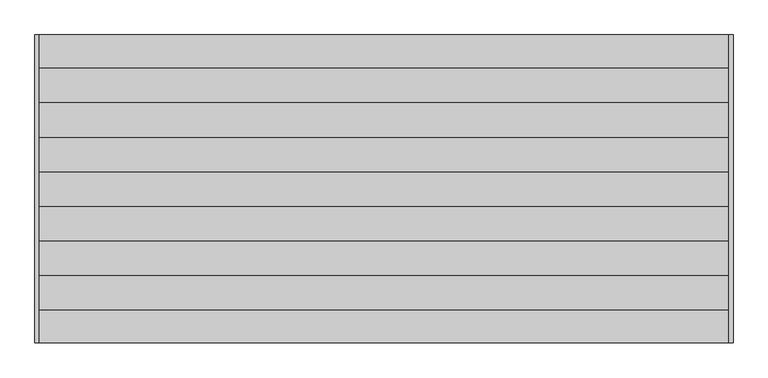
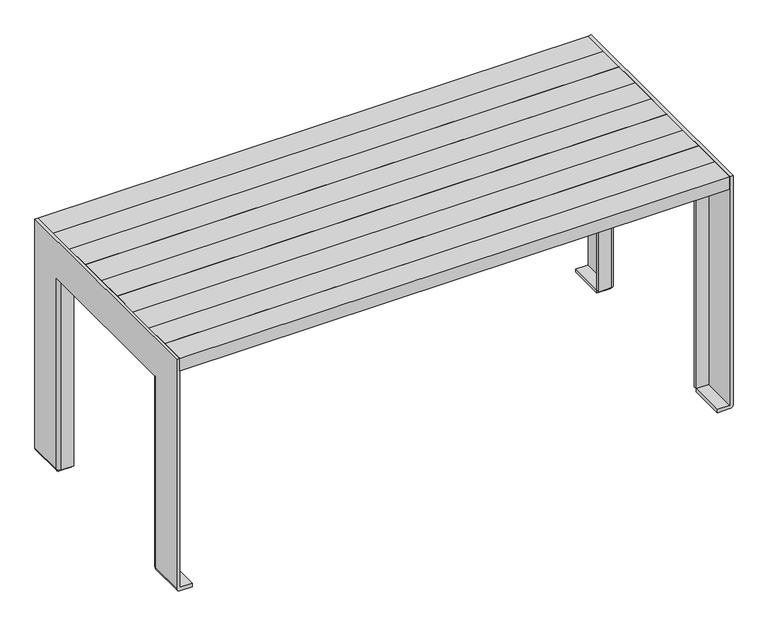
"""IFC4 building model written with IfcOpenShell, lengths in millimetres: furniture geometry."""

from ifc_helpers import new_model, si_unit, frame, origin, place, context, project, spatial, polyline, circle_curve, outline, extrude, source, transform, mapped, element, save
from ifc_brep_helpers import plane_surface, cylinder_surface, revolved_surface, advanced_brep


def furniture_267aa003(model_context):
    return source(origin(), model_context, "Body", "SolidModel", [
        extrude(outline(polyline([(-828.5, 234.4958372), (828.5, 234.4958372), (828.5, 229.4958372), (-828.5, 229.4958372), (-828.5, 234.4958372)])), frame((0.0, 0.0, 644.0), z_axis=(0.0, 0.0, 1.0), x_axis=(1.0, 0.0, 0.0)), (0.0, 0.0, 1.0), 56.0),
        advanced_brep(
        [(-713.4814838, -222.5, 700.0), (-832.5, -222.5, 700.0), (-832.5, -227.5, 700.0), (-713.4529132, -227.5, 700.0), (-707.5, -221.5470868, 700.0), (-707.5, 221.5490759, 700.0), (-713.4509241, 227.5, 700.0), (-832.5, 227.5, 700.0), (-832.5, 222.5, 700.0), (-713.5404164, 222.5, 700.0), (-712.5, 221.4595836, 700.0), (-712.5, -221.5185162, 700.0), (-713.4814838, -222.5, 644.0), (-712.5, -221.5185162, 644.0), (-712.5, 221.4595836, 644.0), (-713.5404164, 222.5, 644.0), (-832.5, 222.5, 644.0), (-832.5, 227.5, 644.0), (-713.4509241, 227.5, 644.0), (-707.5, 221.5490759, 644.0), (-707.5, -221.5470868, 644.0), (-713.4529132, -227.5, 644.0), (-832.5, -227.5, 644.0), (-832.5, -222.5, 644.0), (-712.5, -148.0, 674.5), (-712.5, -157.0, 674.5), (-712.5, -157.0, 663.5), (-712.5, -148.0, 663.5), (-712.5, 157.0, 674.5), (-712.5, 148.0, 674.5), (-712.5, 148.0, 663.5), (-712.5, 157.0, 663.5), (-707.5, -157.0, 674.5), (-707.5, -148.0, 674.5), (-707.5, -148.0, 663.5), (-707.5, -157.0, 663.5), (-707.5, 148.0, 674.5), (-707.5, 157.0, 674.5), (-707.5, 157.0, 663.5), (-707.5, 148.0, 663.5)],
        [
            (0, 1),
            (1, 2),
            (2, 3),
            (3, 4, circle_curve(frame((-713.4529132, -221.5470868, 700.0), z_axis=(0.0, 0.0, 1.0), x_axis=(-1.0, 0.0, 0.0)), 5.9529132)),
            (4, 5),
            (5, 6, circle_curve(frame((-713.4509241, 221.5490759, 700.0), z_axis=(0.0, 0.0, 1.0), x_axis=(-1.0, 0.0, 0.0)), 5.9509241)),
            (6, 7),
            (7, 8),
            (8, 9),
            (9, 10, circle_curve(frame((-713.5404164, 221.4595836, 700.0), z_axis=(0.0, 0.0, -1.0), x_axis=(-1.0, 0.0, 0.0)), 1.0404164)),
            (10, 11),
            (11, 0, circle_curve(frame((-713.4814838, -221.5185162, 700.0), z_axis=(0.0, 0.0, -1.0), x_axis=(-1.0, 0.0, 0.0)), 0.9814838)),
            (12, 13, circle_curve(frame((-713.4814838, -221.5185162, 644.0), z_axis=(0.0, 0.0, 1.0), x_axis=(-1.0, 0.0, 0.0)), 0.9814838)),
            (13, 14),
            (14, 15, circle_curve(frame((-713.5404164, 221.4595836, 644.0), z_axis=(0.0, 0.0, 1.0), x_axis=(-1.0, 0.0, 0.0)), 1.0404164)),
            (15, 16),
            (16, 17),
            (17, 18),
            (18, 19, circle_curve(frame((-713.4509241, 221.5490759, 644.0), z_axis=(0.0, 0.0, -1.0), x_axis=(-1.0, 0.0, 0.0)), 5.9509241)),
            (19, 20),
            (20, 21, circle_curve(frame((-713.4529132, -221.5470868, 644.0), z_axis=(0.0, 0.0, -1.0), x_axis=(-1.0, 0.0, 0.0)), 5.9529132)),
            (21, 22),
            (22, 23),
            (23, 12),
            (11, 13),
            (12, 0),
            (10, 14),
            (24, 25),
            (25, 26, circle_curve(frame((-712.5, -157.0, 669.0), z_axis=(1.0, 0.0, 0.0), x_axis=(0.0, 0.0, -1.0)), 5.5)),
            (26, 27),
            (27, 24, circle_curve(frame((-712.5, -148.0, 669.0), z_axis=(1.0, 0.0, 0.0), x_axis=(0.0, 0.0, 1.0)), 5.5)),
            (28, 29),
            (29, 30, circle_curve(frame((-712.5, 148.0, 669.0), z_axis=(1.0, 0.0, 0.0), x_axis=(0.0, 0.0, 1.0)), 5.5)),
            (30, 31),
            (31, 28, circle_curve(frame((-712.5, 157.0, 669.0), z_axis=(1.0, 0.0, 0.0), x_axis=(0.0, 0.0, -1.0)), 5.5)),
            (9, 15),
            (8, 16),
            (7, 17),
            (6, 18),
            (5, 19),
            (4, 20),
            (32, 33),
            (33, 34, circle_curve(frame((-707.5, -148.0, 669.0), z_axis=(-1.0, 0.0, 0.0), x_axis=(0.0, 0.0, 1.0)), 5.5)),
            (34, 35),
            (35, 32, circle_curve(frame((-707.5, -157.0, 669.0), z_axis=(-1.0, 0.0, 0.0), x_axis=(0.0, 0.0, -1.0)), 5.5)),
            (36, 37),
            (37, 38, circle_curve(frame((-707.5, 157.0, 669.0), z_axis=(-1.0, 0.0, 0.0), x_axis=(0.0, 0.0, -1.0)), 5.5)),
            (38, 39),
            (39, 36, circle_curve(frame((-707.5, 148.0, 669.0), z_axis=(-1.0, 0.0, 0.0), x_axis=(0.0, 0.0, 1.0)), 5.5)),
            (3, 21),
            (2, 22),
            (1, 23),
            (24, 33),
            (32, 25),
            (35, 26),
            (34, 27),
            (28, 37),
            (36, 29),
            (39, 30),
            (38, 31),
        ],
        [
            plane_surface(frame((-832.5, -222.5, 700.0), z_axis=(0.0, 0.0, 1.0), x_axis=(-1.0, 0.0, 0.0))),
            plane_surface(frame((-832.5, -222.5, 644.0), z_axis=(0.0, 0.0, -1.0), x_axis=(1.0, 0.0, 0.0))),
            revolved_surface(polyline([(-714.4629676, -221.5185162, 644.0), (-714.4629676, -221.5185162, 700.0)]), (-713.4814838, -221.5185162, 644.0), (0.0, 0.0, -1.0)),
            plane_surface(frame((-712.5, 221.4595836, 700.0), z_axis=(-1.0, 0.0, 0.0), x_axis=(0.0, 0.0, -1.0))),
            revolved_surface(polyline([(-714.5808328, 221.4595836, 644.0), (-714.5808328, 221.4595836, 700.0)]), (-713.5404164, 221.4595836, 644.0), (0.0, 0.0, -1.0)),
            plane_surface(frame((-832.5, 222.5, 700.0), z_axis=(0.0, -1.0, 0.0), x_axis=(0.0, 0.0, -1.0))),
            plane_surface(frame((-832.5, 227.5, 700.0), z_axis=(-1.0, 0.0, 0.0), x_axis=(0.0, 0.0, -1.0))),
            plane_surface(frame((-713.4509241, 227.5, 700.0), z_axis=(0.0, 1.0, 0.0), x_axis=(0.0, 0.0, -1.0))),
            cylinder_surface(frame((-713.4509241, 221.5490759, 644.0), z_axis=(0.0, 0.0, 1.0), x_axis=(-1.0, 0.0, 0.0)), 5.9509241),
            plane_surface(frame((-707.5, -221.5470868, 700.0), z_axis=(1.0, 0.0, 0.0), x_axis=(0.0, 0.0, -1.0))),
            cylinder_surface(frame((-713.4529132, -221.5470868, 644.0), z_axis=(0.0, 0.0, 1.0), x_axis=(-1.0, 0.0, 0.0)), 5.9529132),
            plane_surface(frame((-832.5, -227.5, 700.0), z_axis=(0.0, -1.0, 0.0), x_axis=(0.0, 0.0, -1.0))),
            plane_surface(frame((-832.5, -222.5, 700.0), z_axis=(-1.0, 0.0, 0.0), x_axis=(0.0, 0.0, -1.0))),
            plane_surface(frame((-713.4814838, -222.5, 700.0), z_axis=(0.0, 1.0, 0.0), x_axis=(0.0, 0.0, -1.0))),
            plane_surface(frame((-712.5, -157.0, 674.5), z_axis=(0.0, 0.0, -1.0), x_axis=(1.0, 0.0, 0.0))),
            revolved_surface(polyline([(-712.5, -157.0, 663.5), (-707.5, -157.0, 663.5)]), (-707.5, -157.0, 669.0), (-1.0, 0.0, 0.0)),
            plane_surface(frame((-712.5, -148.0, 663.5), z_axis=(0.0, 0.0, 1.0), x_axis=(1.0, 0.0, 0.0))),
            revolved_surface(polyline([(-712.5, -148.0, 674.5), (-707.5, -148.0, 674.5)]), (-707.5, -148.0, 669.0), (-1.0, 0.0, 0.0)),
            plane_surface(frame((-712.5, 148.0, 674.5), z_axis=(0.0, 0.0, -1.0), x_axis=(1.0, 0.0, 0.0))),
            revolved_surface(polyline([(-712.5, 148.0, 674.5), (-707.5, 148.0, 674.5)]), (0.0, 148.0, 669.0), (-1.0, 0.0, 0.0)),
            plane_surface(frame((-712.5, 157.0, 663.5), z_axis=(0.0, 0.0, 1.0), x_axis=(1.0, 0.0, 0.0))),
            revolved_surface(polyline([(-712.5, 157.0, 663.5), (-707.5, 157.0, 663.5)]), (0.0, 157.0, 669.0), (-1.0, 0.0, 0.0)),
        ],
        [
            (0, [[1, 2, 3, 4, 5, 6, 7, 8, 9, 10, 11, 12]]),
            (1, [[13, 14, 15, 16, 17, 18, 19, 20, 21, 22, 23, 24]]),
            (2, [[-12, 25, -13, 26]]),
            (3, [[-11, 27, -14, -25], [28, 29, 30, 31], [32, 33, 34, 35]]),
            (4, [[-10, 36, -15, -27]]),
            (5, [[-9, 37, -16, -36]]),
            (6, [[-8, 38, -17, -37]]),
            (7, [[-7, 39, -18, -38]]),
            (8, [[-6, 40, -19, -39]]),
            (9, [[-5, 41, -20, -40], [42, 43, 44, 45], [46, 47, 48, 49]]),
            (10, [[-4, 50, -21, -41]]),
            (11, [[-3, 51, -22, -50]]),
            (12, [[-2, 52, -23, -51]]),
            (13, [[-1, -26, -24, -52]]),
            (14, [[53, -42, 54, -28]]),
            (15, [[-54, -45, 55, -29]]),
            (16, [[-55, -44, 56, -30]]),
            (17, [[-53, -31, -56, -43]]),
            (18, [[57, -46, 58, -32]]),
            (19, [[-58, -49, 59, -33]]),
            (20, [[-59, -48, 60, -34]]),
            (21, [[-57, -35, -60, -47]]),
        ],
    ),
        advanced_brep(
        [(713.4814838, -222.5, 700.0), (712.5, -221.5185162, 700.0), (712.5, 221.4595836, 700.0), (713.5404164, 222.5, 700.0), (832.5, 222.5, 700.0), (832.5, 227.5, 700.0), (713.4509241, 227.5, 700.0), (707.5, 221.5490759, 700.0), (707.5, -221.5470868, 700.0), (713.4529132, -227.5, 700.0), (832.5, -227.5, 700.0), (832.5, -222.5, 700.0), (713.4814838, -222.5, 644.0), (832.5, -222.5, 644.0), (832.5, -227.5, 644.0), (713.4529132, -227.5, 644.0), (707.5, -221.5470868, 644.0), (707.5, 221.5490759, 644.0), (713.4509241, 227.5, 644.0), (832.5, 227.5, 644.0), (832.5, 222.5, 644.0), (713.5404164, 222.5, 644.0), (712.5, 221.4595836, 644.0), (712.5, -221.5185162, 644.0), (712.5, -157.0, 674.5), (712.5, -148.0, 674.5), (712.5, -148.0, 663.5), (712.5, -157.0, 663.5), (712.5, 148.0, 674.5), (712.5, 157.0, 674.5), (712.5, 157.0, 663.5), (712.5, 148.0, 663.5), (707.5, -148.0, 674.5), (707.5, -157.0, 674.5), (707.5, -157.0, 663.5), (707.5, -148.0, 663.5), (707.5, 157.0, 674.5), (707.5, 148.0, 674.5), (707.5, 148.0, 663.5), (707.5, 157.0, 663.5)],
        [
            (0, 1, circle_curve(frame((713.4814838, -221.5185162, 700.0), z_axis=(0.0, 0.0, -1.0), x_axis=(1.0, 0.0, 0.0)), 0.9814838)),
            (1, 2),
            (2, 3, circle_curve(frame((713.5404164, 221.4595836, 700.0), z_axis=(0.0, 0.0, -1.0), x_axis=(1.0, 0.0, 0.0)), 1.0404164)),
            (3, 4),
            (4, 5),
            (5, 6),
            (6, 7, circle_curve(frame((713.4509241, 221.5490759, 700.0), z_axis=(0.0, 0.0, 1.0), x_axis=(1.0, 0.0, 0.0)), 5.9509241)),
            (7, 8),
            (8, 9, circle_curve(frame((713.4529132, -221.5470868, 700.0), z_axis=(0.0, 0.0, 1.0), x_axis=(1.0, 0.0, 0.0)), 5.9529132)),
            (9, 10),
            (10, 11),
            (11, 0),
            (12, 13),
            (13, 14),
            (14, 15),
            (15, 16, circle_curve(frame((713.4529132, -221.5470868, 644.0), z_axis=(0.0, 0.0, -1.0), x_axis=(1.0, 0.0, 0.0)), 5.9529132)),
            (16, 17),
            (17, 18, circle_curve(frame((713.4509241, 221.5490759, 644.0), z_axis=(0.0, 0.0, -1.0), x_axis=(1.0, 0.0, 0.0)), 5.9509241)),
            (18, 19),
            (19, 20),
            (20, 21),
            (21, 22, circle_curve(frame((713.5404164, 221.4595836, 644.0), z_axis=(0.0, 0.0, 1.0), x_axis=(1.0, 0.0, 0.0)), 1.0404164)),
            (22, 23),
            (23, 12, circle_curve(frame((713.4814838, -221.5185162, 644.0), z_axis=(0.0, 0.0, 1.0), x_axis=(1.0, 0.0, 0.0)), 0.9814838)),
            (0, 12),
            (23, 1),
            (22, 2),
            (24, 25),
            (25, 26, circle_curve(frame((712.5, -148.0, 669.0), z_axis=(-1.0, 0.0, 0.0), x_axis=(0.0, 0.0, 1.0)), 5.5)),
            (26, 27),
            (27, 24, circle_curve(frame((712.5, -157.0, 669.0), z_axis=(-1.0, 0.0, 0.0), x_axis=(0.0, 0.0, -1.0)), 5.5)),
            (28, 29),
            (29, 30, circle_curve(frame((712.5, 157.0, 669.0), z_axis=(-1.0, 0.0, 0.0), x_axis=(0.0, 0.0, -1.0)), 5.5)),
            (30, 31),
            (31, 28, circle_curve(frame((712.5, 148.0, 669.0), z_axis=(-1.0, 0.0, 0.0), x_axis=(0.0, 0.0, 1.0)), 5.5)),
            (21, 3),
            (20, 4),
            (19, 5),
            (18, 6),
            (17, 7),
            (16, 8),
            (32, 33),
            (33, 34, circle_curve(frame((707.5, -157.0, 669.0), z_axis=(1.0, 0.0, 0.0), x_axis=(0.0, 0.0, -1.0)), 5.5)),
            (34, 35),
            (35, 32, circle_curve(frame((707.5, -148.0, 669.0), z_axis=(1.0, 0.0, 0.0), x_axis=(0.0, 0.0, 1.0)), 5.5)),
            (36, 37),
            (37, 38, circle_curve(frame((707.5, 148.0, 669.0), z_axis=(1.0, 0.0, 0.0), x_axis=(0.0, 0.0, 1.0)), 5.5)),
            (38, 39),
            (39, 36, circle_curve(frame((707.5, 157.0, 669.0), z_axis=(1.0, 0.0, 0.0), x_axis=(0.0, 0.0, -1.0)), 5.5)),
            (15, 9),
            (14, 10),
            (13, 11),
            (24, 33),
            (32, 25),
            (27, 34),
            (26, 35),
            (28, 37),
            (36, 29),
            (31, 38),
            (30, 39),
        ],
        [
            plane_surface(frame((714.4629675, -221.5185162, 700.0), z_axis=(0.0, 0.0, 1.0), x_axis=(0.0, -1.0, 0.0))),
            plane_surface(frame((714.4629675, -221.5185162, 644.0), z_axis=(0.0, 0.0, -1.0), x_axis=(0.0, 1.0, 0.0))),
            revolved_surface(polyline([(714.4629676, -221.5185162, 644.0), (714.4629676, -221.5185162, 700.0)]), (713.4814838, -221.5185162, 644.0), (0.0, 0.0, -1.0)),
            plane_surface(frame((712.5, -221.5185162, 700.0), z_axis=(1.0, 0.0, 0.0), x_axis=(0.0, 0.0, -1.0))),
            revolved_surface(polyline([(714.5808328, 221.4595836, 644.0), (714.5808328, 221.4595836, 700.0)]), (713.5404164, 221.4595836, 644.0), (0.0, 0.0, -1.0)),
            plane_surface(frame((713.5404164, 222.5, 700.0), z_axis=(0.0, -1.0, 0.0), x_axis=(0.0, 0.0, -1.0))),
            plane_surface(frame((832.5, 222.5, 700.0), z_axis=(1.0, 0.0, 0.0), x_axis=(0.0, 0.0, -1.0))),
            plane_surface(frame((832.5, 227.5, 700.0), z_axis=(0.0, 1.0, 0.0), x_axis=(0.0, 0.0, -1.0))),
            cylinder_surface(frame((713.4509241, 221.5490759, 644.0), z_axis=(0.0, 0.0, 1.0), x_axis=(1.0, 0.0, 0.0)), 5.9509241),
            plane_surface(frame((707.5, 221.5490759, 700.0), z_axis=(-1.0, 0.0, 0.0), x_axis=(0.0, 0.0, -1.0))),
            cylinder_surface(frame((713.4529132, -221.5470868, 644.0), z_axis=(0.0, 0.0, 1.0), x_axis=(1.0, 0.0, 0.0)), 5.9529132),
            plane_surface(frame((713.4529132, -227.5, 700.0), z_axis=(0.0, -1.0, 0.0), x_axis=(0.0, 0.0, -1.0))),
            plane_surface(frame((832.5, -227.5, 700.0), z_axis=(1.0, 0.0, 0.0), x_axis=(0.0, 0.0, -1.0))),
            plane_surface(frame((832.5, -222.5, 700.0), z_axis=(0.0, 1.0, 0.0), x_axis=(0.0, 0.0, -1.0))),
            plane_surface(frame((712.5, -148.0, 674.5), z_axis=(0.0, 0.0, -1.0), x_axis=(-1.0, 0.0, 0.0))),
            revolved_surface(polyline([(712.5, -157.0, 663.5), (707.5, -157.0, 663.5)]), (707.5, -157.0, 669.0), (1.0, 0.0, 0.0)),
            plane_surface(frame((712.5, -157.0, 663.5), z_axis=(0.0, 0.0, 1.0), x_axis=(-1.0, 0.0, 0.0))),
            revolved_surface(polyline([(712.5, -148.0, 674.5), (707.5, -148.0, 674.5)]), (707.5, -148.0, 669.0), (1.0, 0.0, 0.0)),
            plane_surface(frame((712.5, 157.0, 674.5), z_axis=(0.0, 0.0, -1.0), x_axis=(-1.0, 0.0, 0.0))),
            revolved_surface(polyline([(712.5, 148.0, 674.5), (707.5, 148.0, 674.5)]), (0.0, 148.0, 669.0), (1.0, 0.0, 0.0)),
            plane_surface(frame((712.5, 148.0, 663.5), z_axis=(0.0, 0.0, 1.0), x_axis=(-1.0, 0.0, 0.0))),
            revolved_surface(polyline([(712.5, 157.0, 663.5), (707.5, 157.0, 663.5)]), (0.0, 157.0, 669.0), (1.0, 0.0, 0.0)),
        ],
        [
            (0, [[1, 2, 3, 4, 5, 6, 7, 8, 9, 10, 11, 12]]),
            (1, [[13, 14, 15, 16, 17, 18, 19, 20, 21, 22, 23, 24]]),
            (2, [[-1, 25, -24, 26]]),
            (3, [[-2, -26, -23, 27], [28, 29, 30, 31], [32, 33, 34, 35]]),
            (4, [[-3, -27, -22, 36]]),
            (5, [[-4, -36, -21, 37]]),
            (6, [[-5, -37, -20, 38]]),
            (7, [[-6, -38, -19, 39]]),
            (8, [[-7, -39, -18, 40]]),
            (9, [[-8, -40, -17, 41], [42, 43, 44, 45], [46, 47, 48, 49]]),
            (10, [[-9, -41, -16, 50]]),
            (11, [[-10, -50, -15, 51]]),
            (12, [[-11, -51, -14, 52]]),
            (13, [[-12, -52, -13, -25]]),
            (14, [[53, -42, 54, -28]]),
            (15, [[-53, -31, 55, -43]]),
            (16, [[-55, -30, 56, -44]]),
            (17, [[-54, -45, -56, -29]]),
            (18, [[57, -46, 58, -32]]),
            (19, [[-57, -35, 59, -47]]),
            (20, [[-59, -34, 60, -48]]),
            (21, [[-58, -49, -60, -33]]),
        ],
    ),
        extrude(outline(polyline([(828.5, -234.4958372), (-828.5, -234.4958372), (-828.5, -229.4958372), (828.5, -229.4958372), (828.5, -234.4958372)])), frame((0.0, 0.0, 644.0), z_axis=(0.0, 0.0, 1.0), x_axis=(1.0, 0.0, 0.0)), (0.0, 0.0, 1.0), 56.0),
        advanced_brep(
        [(791.5, -249.5, 620.0), (791.5, -259.5, 620.0), (828.5, -259.5, 620.0), (828.5, -249.5, 620.0), (791.5, -249.5, 10.1), (828.5, -249.5, 10.1), (838.5, -259.5, 10.1), (828.5, -259.5, 10.1), (791.5, -259.5, 10.1), (828.5, -259.5, 10.1), (838.5, -259.5, 620.0), (828.5, -369.5, 10.1), (828.5, -369.5, 740.0), (828.5, 369.5, 740.0), (828.5, 369.5, 10.1), (828.5, 259.5, 10.1), (828.5, 259.5, 620.0), (828.5, 249.5, 620.0), (838.5, 369.5, 10.1), (838.5, 369.5, 740.0), (838.5, -369.5, 740.0), (838.5, -369.5, 10.1), (838.5, 259.5, 620.0), (838.5, 259.5, 10.1), (828.5005, 369.5, 0.0), (791.5, 369.5, 0.0), (791.5, 369.5, 10.1), (791.5, -369.5, 10.1), (791.5, -369.5, 0.0), (828.5005, -369.5, 0.0), (791.5, 249.5, 10.1), (791.5, 259.5, 10.1), (828.5, 259.5, 10.1), (828.5, 249.5, 10.1), (791.5, 249.5, 620.0), (791.5, 259.5, 620.0), (791.5, -259.5, 0.0), (828.5005, -259.5, 0.0), (791.5, 259.5, 0.0), (828.5005, 259.5, 0.0)],
        [
            (0, 1),
            (1, 2),
            (2, 3),
            (3, 0),
            (4, 5),
            (5, 6, circle_curve(frame((828.5, -259.5, 10.1), z_axis=(0.0, 0.0, -1.0), x_axis=(-1.0, 0.0, 0.0)), 10.0)),
            (6, 7),
            (7, 8),
            (8, 4),
            (0, 4),
            (8, 1),
            (8, 9),
            (9, 2),
            (3, 5),
            (3, 10, circle_curve(frame((828.5, -259.5, 620.0), z_axis=(0.0, 0.0, -1.0), x_axis=(-1.0, 0.0, 0.0)), 10.0)),
            (10, 6),
            (11, 12),
            (12, 13),
            (13, 14),
            (14, 15),
            (15, 16),
            (16, 17),
            (17, 3),
            (9, 11),
            (18, 19),
            (19, 20),
            (20, 21),
            (21, 6),
            (10, 22),
            (22, 23),
            (23, 18),
            (13, 19),
            (18, 24, circle_curve(frame((828.5005, 369.5, 10.0), z_axis=(0.0, 1.0, 0.0), x_axis=(-1.0, 0.0, 0.0)), 10.0)),
            (24, 25),
            (25, 26),
            (26, 14),
            (12, 20),
            (11, 27),
            (27, 28),
            (28, 29),
            (29, 21, circle_curve(frame((828.5005, -369.5, 10.0), z_axis=(0.0, -1.0, 0.0), x_axis=(-1.0, 0.0, 0.0)), 10.0)),
            (17, 22, circle_curve(frame((828.5, 259.5, 620.0), z_axis=(0.0, 0.0, 1.0), x_axis=(-1.0, 0.0, 0.0)), 10.0)),
            (30, 31),
            (31, 32),
            (32, 23),
            (23, 33, circle_curve(frame((828.5, 259.5, 10.1), z_axis=(0.0, 0.0, -1.0), x_axis=(-1.0, 0.0, 0.0)), 10.0)),
            (33, 30),
            (34, 17),
            (16, 35),
            (35, 34),
            (35, 31),
            (30, 34),
            (15, 31),
            (33, 17),
            (36, 8),
            (6, 37, circle_curve(frame((828.5005, -259.5, 10.0), z_axis=(0.0, 1.0, 0.0), x_axis=(-1.0, 0.0, 0.0)), 10.0)),
            (37, 36),
            (27, 8),
            (36, 28),
            (29, 37),
            (38, 39),
            (39, 23, circle_curve(frame((828.5005, 259.5, 10.0), z_axis=(0.0, -1.0, 0.0), x_axis=(-1.0, 0.0, 0.0)), 10.0)),
            (31, 38),
            (25, 38),
            (31, 26),
            (39, 24),
        ],
        [
            plane_surface(frame((791.5, -259.5, 620.0), z_axis=(0.0, 0.0, 1.0), x_axis=(0.0, -1.0, 0.0))),
            plane_surface(frame((791.5, -259.5, 10.1), z_axis=(0.0, 0.0, -1.0), x_axis=(0.0, 1.0, 0.0))),
            plane_surface(frame((791.5, -249.5, 620.0), z_axis=(-1.0, 0.0, 0.0), x_axis=(0.0, 0.0, -1.0))),
            plane_surface(frame((791.5, -259.5, 620.0), z_axis=(0.0, -1.0, 0.0), x_axis=(0.0, 0.0, -1.0))),
            plane_surface(frame((828.5, -249.5, 620.0), z_axis=(0.0, 1.0, 0.0), x_axis=(0.0, 0.0, -1.0))),
            cylinder_surface(frame((828.5, -259.5, 10.1), z_axis=(0.0, 0.0, 1.0), x_axis=(-1.0, 0.0, 0.0)), 10.0),
            plane_surface(frame((828.5, 369.5, 10.1), z_axis=(-1.0, 0.0, 0.0), x_axis=(0.0, -1.0, 0.0))),
            plane_surface(frame((838.5, 369.5, 10.1), z_axis=(1.0, 0.0, 0.0), x_axis=(0.0, 1.0, 0.0))),
            plane_surface(frame((828.5, 369.5, 740.0), z_axis=(0.0, 1.0, 0.0), x_axis=(1.0, 0.0, 0.0))),
            plane_surface(frame((828.5, -369.5, 740.0), z_axis=(0.0, 0.0, 1.0), x_axis=(1.0, 0.0, 0.0))),
            plane_surface(frame((828.5, -369.5, 10.1), z_axis=(0.0, -1.0, 0.0), x_axis=(1.0, 0.0, 0.0))),
            plane_surface(frame((828.5, 259.5, 620.0), z_axis=(0.0, 0.0, -1.0), x_axis=(1.0, 0.0, 0.0))),
            plane_surface(frame((828.5, 369.5, 10.1), z_axis=(0.0, 0.0, -1.0), x_axis=(1.0, 0.0, 0.0))),
            plane_surface(frame((828.5, 249.5, 620.0), z_axis=(0.0, 0.0, 1.0), x_axis=(1.0, 0.0, 0.0))),
            plane_surface(frame((791.5, 259.5, 620.0), z_axis=(-1.0, 0.0, 0.0), x_axis=(0.0, 0.0, -1.0))),
            plane_surface(frame((828.5, 259.5, 620.0), z_axis=(0.0, 1.0, 0.0), x_axis=(0.0, 0.0, -1.0))),
            plane_surface(frame((791.5, 249.5, 620.0), z_axis=(0.0, -1.0, 0.0), x_axis=(0.0, 0.0, -1.0))),
            cylinder_surface(frame((828.5, 259.5, 10.1), z_axis=(0.0, 0.0, 1.0), x_axis=(-1.0, 0.0, 0.0)), 10.0),
            plane_surface(frame((828.4, -259.5, 0.0), z_axis=(0.0, 1.0, 0.0), x_axis=(-1.0, 0.0, 0.0))),
            plane_surface(frame((791.5, -369.5, 10.1), z_axis=(-1.0, 0.0, 0.0), x_axis=(0.0, 1.0, 0.0))),
            plane_surface(frame((828.5, -369.5, 10.1), z_axis=(0.0, 0.0, 1.0), x_axis=(0.0, 1.0, 0.0))),
            cylinder_surface(frame((828.5005, -259.5, 10.0), z_axis=(0.0, -1.0, 0.0), x_axis=(-1.0, 0.0, 0.0)), 10.0),
            plane_surface(frame((791.5, -369.5, 0.0), z_axis=(0.0, 0.0, -1.0), x_axis=(0.0, 1.0, 0.0))),
            plane_surface(frame((791.5, 259.5, 0.0), z_axis=(0.0, -1.0, 0.0), x_axis=(0.0, 0.0, -1.0))),
            plane_surface(frame((791.5, 369.5, 0.0), z_axis=(-1.0, 0.0, 0.0), x_axis=(0.0, -1.0, 0.0))),
            plane_surface(frame((791.5, 369.5, 10.1), z_axis=(0.0, 0.0, 1.0), x_axis=(0.0, -1.0, 0.0))),
            cylinder_surface(frame((828.5005, 259.5, 10.0), z_axis=(0.0, 1.0, 0.0), x_axis=(-1.0, 0.0, 0.0)), 10.0),
            plane_surface(frame((828.5005, 369.5, 0.0), z_axis=(0.0, 0.0, -1.0), x_axis=(0.0, -1.0, 0.0))),
        ],
        [
            (0, [[1, 2, 3, 4]]),
            (1, [[5, 6, 7, 8, 9]]),
            (2, [[-1, 10, -9, 11]]),
            (3, [[-2, -11, 12, 13]]),
            (4, [[-4, 14, -5, -10]]),
            (5, [[-6, -14, 15, 16]]),
            (6, [[17, 18, 19, 20, 21, 22, 23, -3, -13, 24]]),
            (7, [[25, 26, 27, 28, -16, 29, 30, 31]]),
            (8, [[-19, 32, -25, 33, 34, 35, 36]]),
            (9, [[-18, 37, -26, -32]]),
            (10, [[-17, 38, 39, 40, 41, -27, -37]]),
            (11, [[-29, -15, -23, 42]]),
            (12, [[43, 44, 45, 46, 47]]),
            (13, [[48, -22, 49, 50]]),
            (14, [[-50, 51, -43, 52]]),
            (15, [[-49, -21, 53, -51]]),
            (16, [[-48, -52, -47, 54]]),
            (17, [[-46, -30, -42, -54]]),
            (18, [[55, -8, -7, 56, 57]]),
            (19, [[-39, 58, -55, 59]]),
            (20, [[-38, -24, -12, -58]]),
            (21, [[-41, 60, -56, -28]]),
            (22, [[-40, -59, -57, -60]]),
            (23, [[61, 62, -45, -44, 63]]),
            (24, [[-35, 64, -63, 65]]),
            (25, [[-36, -65, -53, -20]]),
            (26, [[-33, -31, -62, 66]]),
            (27, [[-34, -66, -61, -64]]),
        ],
    ),
        extrude(outline(polyline([(828.5, 369.5), (828.5, 290.2606594), (-828.5, 290.2606594), (-828.5, 369.5), (828.5, 369.5)])), frame((0.0, 0.0, 700.0), z_axis=(0.0, 0.0, 1.0), x_axis=(1.0, 0.0, 0.0)), (0.0, 0.0, 1.0), 40.0),
        extrude(outline(polyline([(828.5, 290.2606594), (828.5, 207.2592755), (-828.5, 207.2592755), (-828.5, 290.2606594), (828.5, 290.2606594)])), frame((0.0, 0.0, 700.0), z_axis=(0.0, 0.0, 1.0), x_axis=(1.0, 0.0, 0.0)), (0.0, 0.0, 1.0), 40.0),
        extrude(outline(polyline([(828.5, 207.2592755), (828.5, 124.0044323), (-828.5, 124.0044323), (-828.5, 207.2592755), (828.5, 207.2592755)])), frame((0.0, 0.0, 700.0), z_axis=(0.0, 0.0, 1.0), x_axis=(1.0, 0.0, 0.0)), (0.0, 0.0, 1.0), 40.0),
        extrude(outline(polyline([(828.5, 124.0044323), (828.5, 40.8074448), (-828.5, 40.8074448), (-828.5, 124.0044323), (828.5, 124.0044323)])), frame((0.0, 0.0, 700.0), z_axis=(0.0, 0.0, 1.0), x_axis=(1.0, 0.0, 0.0)), (0.0, 0.0, 1.0), 40.0),
        extrude(outline(polyline([(828.5, 40.8074448), (828.5, -41.7908347), (-828.5, -41.7908347), (-828.5, 40.8074448), (828.5, 40.8074448)])), frame((0.0, 0.0, 700.0), z_axis=(0.0, 0.0, 1.0), x_axis=(1.0, 0.0, 0.0)), (0.0, 0.0, 1.0), 40.0),
        extrude(outline(polyline([(828.5, -41.7908347), (828.5, -124.6200839), (-828.5, -124.6200839), (-828.5, -41.7908347), (828.5, -41.7908347)])), frame((0.0, 0.0, 700.0), z_axis=(0.0, 0.0, 1.0), x_axis=(1.0, 0.0, 0.0)), (0.0, 0.0, 1.0), 40.0),
        extrude(outline(polyline([(828.5, -124.6200839), (828.5, -208.0455793), (-828.5, -208.0455793), (-828.5, -124.6200839), (828.5, -124.6200839)])), frame((0.0, 0.0, 700.0), z_axis=(0.0, 0.0, 1.0), x_axis=(1.0, 0.0, 0.0)), (0.0, 0.0, 1.0), 40.0),
        extrude(outline(polyline([(828.5, -208.0455793), (828.5, -290.7622907), (-828.5, -290.7622907), (-828.5, -208.0455793), (828.5, -208.0455793)])), frame((0.0, 0.0, 700.0), z_axis=(0.0, 0.0, 1.0), x_axis=(1.0, 0.0, 0.0)), (0.0, 0.0, 1.0), 40.0),
        extrude(outline(polyline([(828.5, -290.7622907), (828.5, -369.5), (-828.5, -369.5), (-828.5, -290.7622907), (828.5, -290.7622907)])), frame((0.0, 0.0, 700.0), z_axis=(0.0, 0.0, 1.0), x_axis=(1.0, 0.0, 0.0)), (0.0, 0.0, 1.0), 40.0),
        advanced_brep(
        [(-791.5, -369.5, 0.0), (-791.5, -369.5, 10.1), (-828.5, -369.5, 10.1), (-828.5, -369.5, 740.0), (-838.5, -369.5, 740.0), (-838.5, -369.5, 10.1), (-828.5005, -369.5, 0.0), (-791.5, -259.5, 0.0), (-828.5005, -259.5, 0.0), (-838.5, -259.5, 10.1), (-828.5, -259.5, 10.1), (-791.5, -259.5, 10.1), (-828.5, -259.5, 10.1), (-828.5, 369.5, 10.1), (-828.5, 369.5, 740.0), (-828.5, -259.5, 620.0), (-828.5, -249.5, 620.0), (-828.5, 249.5, 620.0), (-828.5, 259.5, 620.0), (-828.5, 259.5, 10.1), (-838.5, 259.5, 620.0), (-838.5, -259.5, 620.0), (-838.5, 369.5, 740.0), (-838.5, 369.5, 10.1), (-838.5, 259.5, 10.1), (-791.5, 369.5, 10.1), (-791.5, 369.5, 0.0), (-828.5005, 369.5, 0.0), (-791.5, 259.5, 0.0), (-791.5, 259.5, 10.1), (-828.5, 259.5, 10.1), (-828.5005, 259.5, 0.0), (-791.5, -249.5, 620.0), (-791.5, -259.5, 620.0), (-791.5, -249.5, 10.1), (-828.5, -249.5, 10.1), (-791.5, 249.5, 620.0), (-791.5, 259.5, 620.0), (-791.5, 249.5, 10.1), (-828.5, 249.5, 10.1)],
        [
            (0, 1),
            (1, 2),
            (2, 3),
            (3, 4),
            (4, 5),
            (5, 6, circle_curve(frame((-828.5005, -369.5, 10.0), z_axis=(0.0, -1.0, 0.0), x_axis=(1.0, 0.0, 0.0)), 10.0)),
            (6, 0),
            (7, 8),
            (8, 9, circle_curve(frame((-828.5005, -259.5, 10.0), z_axis=(0.0, 1.0, 0.0), x_axis=(1.0, 0.0, 0.0)), 10.0)),
            (9, 10),
            (10, 11),
            (11, 7),
            (0, 7),
            (11, 1),
            (11, 12),
            (12, 2),
            (5, 9),
            (8, 6),
            (13, 14),
            (14, 3),
            (12, 15),
            (15, 16),
            (16, 17),
            (17, 18),
            (18, 19),
            (19, 13),
            (20, 21),
            (21, 9),
            (4, 22),
            (22, 23),
            (23, 24),
            (24, 20),
            (13, 25),
            (25, 26),
            (26, 27),
            (27, 23, circle_curve(frame((-828.5005, 369.5, 10.0), z_axis=(0.0, 1.0, 0.0), x_axis=(1.0, 0.0, 0.0)), 10.0)),
            (22, 14),
            (20, 17, circle_curve(frame((-828.5, 259.5, 620.0), z_axis=(0.0, 0.0, 1.0), x_axis=(1.0, 0.0, 0.0)), 10.0)),
            (16, 21, circle_curve(frame((-828.5, -259.5, 620.0), z_axis=(0.0, 0.0, 1.0), x_axis=(1.0, 0.0, 0.0)), 10.0)),
            (28, 29),
            (29, 30),
            (30, 24),
            (24, 31, circle_curve(frame((-828.5005, 259.5, 10.0), z_axis=(0.0, -1.0, 0.0), x_axis=(1.0, 0.0, 0.0)), 10.0)),
            (31, 28),
            (25, 29),
            (28, 26),
            (19, 29),
            (27, 31),
            (32, 16),
            (15, 33),
            (33, 32),
            (34, 11),
            (9, 35, circle_curve(frame((-828.5, -259.5, 10.1), z_axis=(0.0, 0.0, -1.0), x_axis=(1.0, 0.0, 0.0)), 10.0)),
            (35, 34),
            (33, 11),
            (34, 32),
            (35, 16),
            (36, 37),
            (37, 18),
            (17, 36),
            (38, 39),
            (39, 24, circle_curve(frame((-828.5, 259.5, 10.1), z_axis=(0.0, 0.0, -1.0), x_axis=(1.0, 0.0, 0.0)), 10.0)),
            (29, 38),
            (36, 38),
            (29, 37),
            (17, 39),
        ],
        [
            plane_surface(frame((-791.5, -369.5, 0.0), z_axis=(0.0, -1.0, 0.0), x_axis=(0.0, 0.0, 1.0))),
            plane_surface(frame((-791.5, -259.5, 0.0), z_axis=(0.0, 1.0, 0.0), x_axis=(0.0, 0.0, -1.0))),
            plane_surface(frame((-791.5, -369.5, 0.0), z_axis=(1.0, 0.0, 0.0), x_axis=(0.0, 1.0, 0.0))),
            plane_surface(frame((-791.5, -369.5, 10.1), z_axis=(0.0, 0.0, 1.0), x_axis=(0.0, 1.0, 0.0))),
            cylinder_surface(frame((-828.5005, -259.5, 10.0), z_axis=(0.0, -1.0, 0.0), x_axis=(1.0, 0.0, 0.0)), 10.0),
            plane_surface(frame((-828.5005, -369.5, 0.0), z_axis=(0.0, 0.0, -1.0), x_axis=(0.0, 1.0, 0.0))),
            plane_surface(frame((-828.5, 369.5, 700.0), z_axis=(1.0, 0.0, 0.0), x_axis=(0.0, 0.0, 1.0))),
            plane_surface(frame((-838.5, 369.5, 700.0), z_axis=(-1.0, 0.0, 0.0), x_axis=(0.0, 0.0, -1.0))),
            plane_surface(frame((-828.5, 369.5, 10.1), z_axis=(0.0, 1.0, 0.0), x_axis=(-1.0, 0.0, 0.0))),
            plane_surface(frame((-828.5, 369.5, 740.0), z_axis=(0.0, 0.0, 1.0), x_axis=(-1.0, 0.0, 0.0))),
            plane_surface(frame((-828.5, -259.5, 620.0), z_axis=(0.0, 0.0, -1.0), x_axis=(-1.0, 0.0, 0.0))),
            plane_surface(frame((-828.5, 259.5, 620.0), z_axis=(0.0, -1.0, 0.0), x_axis=(-1.0, 0.0, 0.0))),
            plane_surface(frame((-791.5, 369.5, 10.1), z_axis=(1.0, 0.0, 0.0), x_axis=(0.0, -1.0, 0.0))),
            plane_surface(frame((-828.5, 369.5, 10.1), z_axis=(0.0, 0.0, 1.0), x_axis=(0.0, -1.0, 0.0))),
            cylinder_surface(frame((-828.5005, 259.5, 10.0), z_axis=(0.0, 1.0, 0.0), x_axis=(1.0, 0.0, 0.0)), 10.0),
            plane_surface(frame((-791.5, 369.5, 0.0), z_axis=(0.0, 0.0, -1.0), x_axis=(0.0, -1.0, 0.0))),
            plane_surface(frame((-828.5, -249.5, 620.0), z_axis=(0.0, 0.0, 1.0), x_axis=(-1.0, 0.0, 0.0))),
            plane_surface(frame((-828.5, -249.5, 10.1), z_axis=(0.0, 0.0, -1.0), x_axis=(1.0, 0.0, 0.0))),
            plane_surface(frame((-791.5, -259.5, 620.0), z_axis=(1.0, 0.0, 0.0), x_axis=(0.0, 0.0, -1.0))),
            plane_surface(frame((-828.5, -259.5, 620.0), z_axis=(0.0, -1.0, 0.0), x_axis=(0.0, 0.0, -1.0))),
            plane_surface(frame((-791.5, -249.5, 620.0), z_axis=(0.0, 1.0, 0.0), x_axis=(0.0, 0.0, -1.0))),
            cylinder_surface(frame((-828.5, -259.5, 10.1), z_axis=(0.0, 0.0, 1.0), x_axis=(1.0, 0.0, 0.0)), 10.0),
            plane_surface(frame((-791.5, 259.5, 620.0), z_axis=(0.0, 0.0, 1.0), x_axis=(0.0, 1.0, 0.0))),
            plane_surface(frame((-791.5, 259.5, 10.1), z_axis=(0.0, 0.0, -1.0), x_axis=(0.0, -1.0, 0.0))),
            plane_surface(frame((-791.5, 249.5, 620.0), z_axis=(1.0, 0.0, 0.0), x_axis=(0.0, 0.0, -1.0))),
            plane_surface(frame((-791.5, 259.5, 620.0), z_axis=(0.0, 1.0, 0.0), x_axis=(0.0, 0.0, -1.0))),
            plane_surface(frame((-828.5, 249.5, 620.0), z_axis=(0.0, -1.0, 0.0), x_axis=(0.0, 0.0, -1.0))),
            cylinder_surface(frame((-828.5, 259.5, 10.1), z_axis=(0.0, 0.0, 1.0), x_axis=(1.0, 0.0, 0.0)), 10.0),
        ],
        [
            (0, [[1, 2, 3, 4, 5, 6, 7]]),
            (1, [[8, 9, 10, 11, 12]]),
            (2, [[-1, 13, -12, 14]]),
            (3, [[-2, -14, 15, 16]]),
            (4, [[-6, 17, -9, 18]]),
            (5, [[-7, -18, -8, -13]]),
            (6, [[19, 20, -3, -16, 21, 22, 23, 24, 25, 26]]),
            (7, [[27, 28, -17, -5, 29, 30, 31, 32]]),
            (8, [[-19, 33, 34, 35, 36, -30, 37]]),
            (9, [[-20, -37, -29, -4]]),
            (10, [[-27, 38, -23, 39]]),
            (11, [[40, 41, 42, 43, 44]]),
            (12, [[-34, 45, -40, 46]]),
            (13, [[-33, -26, 47, -45]]),
            (14, [[-36, 48, -43, -31]]),
            (15, [[-35, -46, -44, -48]]),
            (16, [[49, -22, 50, 51]]),
            (17, [[52, -11, -10, 53, 54]]),
            (18, [[-51, 55, -52, 56]]),
            (19, [[-50, -21, -15, -55]]),
            (20, [[-49, -56, -54, 57]]),
            (21, [[-53, -28, -39, -57]]),
            (22, [[58, 59, -24, 60]]),
            (23, [[61, 62, -42, -41, 63]]),
            (24, [[-58, 64, -63, 65]]),
            (25, [[-59, -65, -47, -25]]),
            (26, [[-60, 66, -61, -64]]),
            (27, [[-62, -66, -38, -32]]),
        ],
    ),
    ])


if __name__ == "__main__":
    model = new_model("IFC4")
    model_context = context("Model", 3, world=origin())
    ifc_project = project(units=[si_unit("LENGTHUNIT", "METRE", prefix="MILLI")], contexts=[model_context])
    site = spatial("IfcSite", under=ifc_project)
    building = spatial("IfcBuilding", under=site)
    placement = place(None, origin())
    furniture_shape = furniture_267aa003(model_context)
    element("IfcFurniture", 1, at=placement, inside=building, context=model_context, shape_type="MappedRepresentation", body=[
        mapped(furniture_shape, transform((0.0, 0.0, 0.0), x_axis=(1.0, 0.0, 0.0), y_axis=(0.0, 1.0, 0.0), z_axis=(0.0, 0.0, 1.0))),
    ])
    save(model, "model.ifc")
